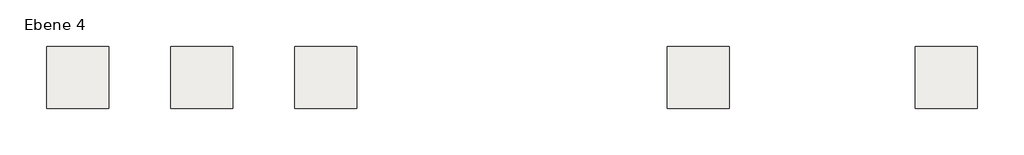
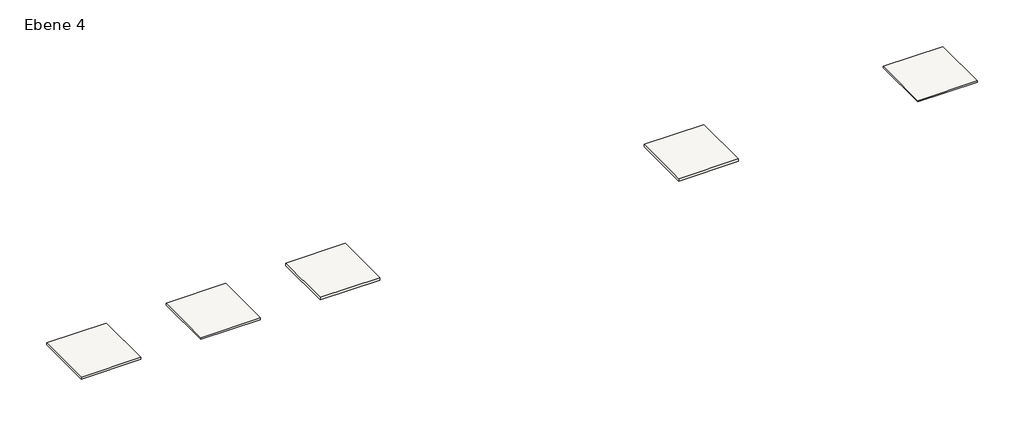
# One storey: 5 coverings.
"""IFC4 building model written with IfcOpenShell, lengths in millimetres."""

from ifc_helpers import new_model, si_unit, frame, origin, place, context, project, spatial, polyline, outline, extrude, element, save

model = new_model("IFC4")

# Units and contexts
model_context = context("Model", 3, world=origin())
ifc_project = project(units=[si_unit("LENGTHUNIT", "METRE", prefix="MILLI")], contexts=[model_context])

# Site, building, storey
site = spatial("IfcSite", under=ifc_project)
building = spatial("IfcBuilding", under=site)
storey = spatial("IfcBuildingStorey", under=building, Name="Ebene 4", Elevation=-5400.0)

# Coverings
placement = place(None, origin())
element("IfcCovering", 1, at=placement, inside=storey, context=model_context, shape_type="SweptSolid", body=[
    extrude(outline(polyline([(3800.0, -343.0665926), (1800.0, -343.0665926), (1800.0, 1656.9334074), (3800.0, 1656.9334074), (3800.0, -343.0665926)])), frame((0.0, 0.0, -5400.0), z_axis=(0.0, 0.0, 1.0), x_axis=(1.0, 0.0, 0.0)), (0.0, 0.0, 1.0), 66.5),
])
element("IfcCovering", 2, at=placement, inside=storey, context=model_context, shape_type="SweptSolid", body=[
    extrude(outline(polyline([(7800.0, -343.0665926), (5800.0, -343.0665926), (5800.0, 1656.9334074), (7800.0, 1656.9334074), (7800.0, -343.0665926)])), frame((0.0, 0.0, -5400.0), z_axis=(0.0, 0.0, 1.0), x_axis=(1.0, 0.0, 0.0)), (0.0, 0.0, 1.0), 69.0),
])
element("IfcCovering", 3, at=placement, inside=storey, context=model_context, shape_type="SweptSolid", body=[
    extrude(outline(polyline([(11800.0, -343.0665926), (9800.0, -343.0665926), (9800.0, 1656.9334074), (11800.0, 1656.9334074), (11800.0, -343.0665926)])), frame((0.0, 0.0, -5400.0), z_axis=(0.0, 0.0, 1.0), x_axis=(1.0, 0.0, 0.0)), (0.0, 0.0, 1.0), 87.0),
])
element("IfcCovering", 4, at=placement, inside=storey, context=model_context, shape_type="SweptSolid", body=[
    extrude(outline(polyline([(23800.0, -343.0665926), (21800.0, -343.0665926), (21800.0, 1656.9334074), (23800.0, 1656.9334074), (23800.0, -343.0665926)])), frame((0.0, 0.0, -5400.0), z_axis=(0.0, 0.0, 1.0), x_axis=(1.0, 0.0, 0.0)), (0.0, 0.0, 1.0), 89.0),
])
element("IfcCovering", 5, at=placement, inside=storey, context=model_context, shape_type="SweptSolid", body=[
    extrude(outline(polyline([(31800.0, -343.0665926), (29800.0, -343.0665926), (29800.0, 1656.9334074), (31800.0, 1656.9334074), (31800.0, -343.0665926)])), frame((0.0, 0.0, -5400.0), z_axis=(0.0, 0.0, 1.0), x_axis=(1.0, 0.0, 0.0)), (0.0, 0.0, 1.0), 49.0),
])

save(model, "model.ifc")
